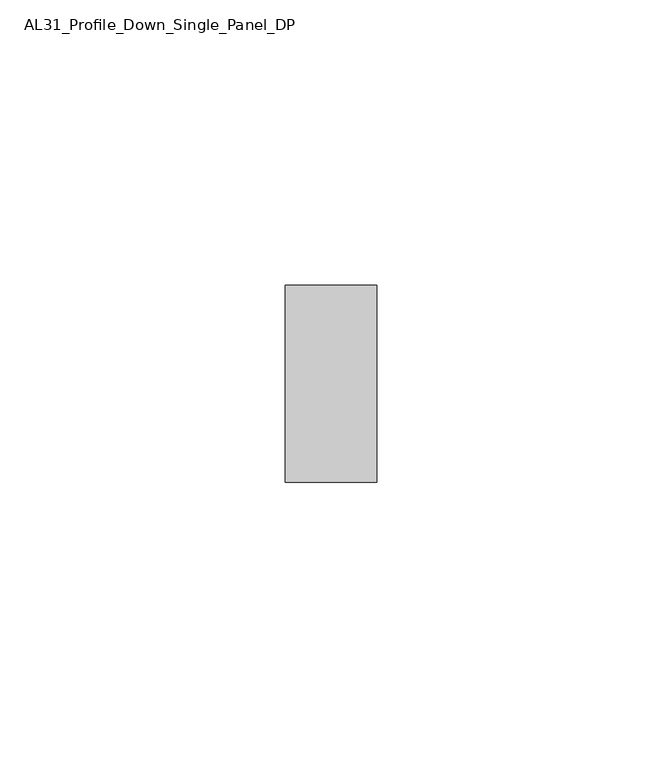
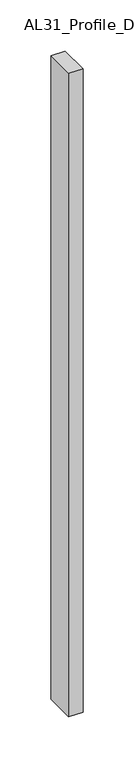
"""IFC4 building model written with IfcOpenShell, lengths in millimetres: member geometry, AL31_Profile_Down_Single_Panel_DP."""

from ifc_helpers import new_model, si_unit, frame, origin, place, context, project, spatial, polyline, outline, extrude, source, transform, mapped, element, save


def al31_profile_down_single_panel_dp_bb3dbde7(model_context):
    return source(origin(), model_context, "Body", "SweptSolid", [
        extrude(outline(polyline([(0.0, 37.107), (0.0, 2.607), (-16.0427074, 2.607), (-16.0427074, 37.107), (0.0, 37.107)])), frame((0.0, 0.0, -767.5), z_axis=(0.0, 0.0, 1.0), x_axis=(1.0, 0.0, 0.0)), (0.0, 0.0, 1.0), 767.5),
    ])


if __name__ == "__main__":
    model = new_model("IFC4")
    model_context = context("Model", 3, world=origin())
    ifc_project = project(units=[si_unit("LENGTHUNIT", "METRE", prefix="MILLI")], contexts=[model_context])
    site = spatial("IfcSite", under=ifc_project)
    building = spatial("IfcBuilding", under=site)
    placement = place(None, origin())
    al31_profile_down_single_panel_dp_shape = al31_profile_down_single_panel_dp_bb3dbde7(model_context)
    element("IfcMember", 1, ObjectType="AL31_Profile_Down_Single_Panel_DP", at=placement, inside=building, context=model_context, shape_type="MappedRepresentation", body=[
        mapped(al31_profile_down_single_panel_dp_shape, transform((0.0, 0.0, 0.0), x_axis=(1.0, 0.0, 0.0), y_axis=(0.0, 1.0, 0.0), z_axis=(0.0, 0.0, 1.0))),
    ])
    save(model, "model.ifc")
